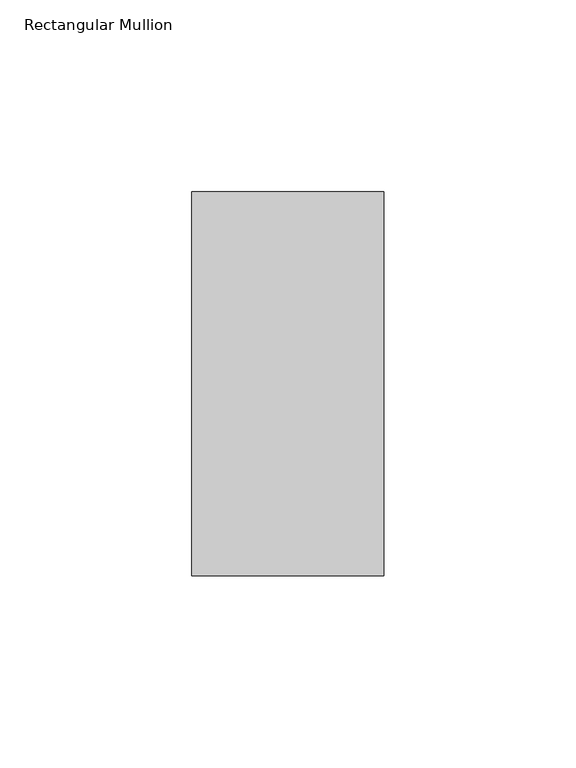
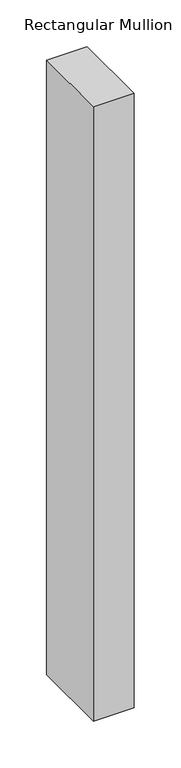
"""IFC4 building model written with IfcOpenShell, lengths in millimetres: member geometry, Rectangular Mullion."""

from ifc_helpers import new_model, si_unit, frame, origin, place, context, project, spatial, polyline, outline, extrude, source, transform, mapped, element, save


def rectangular_mullion_d8e098c5(model_context):
    return source(origin(), model_context, "Body", "SweptSolid", [
        extrude(outline(polyline([(25.0, 69.0), (25.0, -31.0), (-25.0, -31.0), (-25.0, 69.0), (25.0, 69.0)])), frame((0.0, 0.0, -800.0), z_axis=(0.0, 0.0, 1.0), x_axis=(1.0, 0.0, 0.0)), (0.0, 0.0, 1.0), 800.0),
    ])


if __name__ == "__main__":
    model = new_model("IFC4")
    model_context = context("Model", 3, world=origin())
    ifc_project = project(units=[si_unit("LENGTHUNIT", "METRE", prefix="MILLI")], contexts=[model_context])
    site = spatial("IfcSite", under=ifc_project)
    building = spatial("IfcBuilding", under=site)
    placement = place(None, origin())
    rectangular_mullion_shape = rectangular_mullion_d8e098c5(model_context)
    element("IfcMember", 1, ObjectType="Rectangular Mullion", at=placement, inside=building, context=model_context, shape_type="MappedRepresentation", body=[
        mapped(rectangular_mullion_shape, transform((0.0, 0.0, 0.0), x_axis=(1.0, 0.0, 0.0), y_axis=(0.0, 1.0, 0.0), z_axis=(0.0, 0.0, 1.0))),
    ])
    save(model, "model.ifc")
